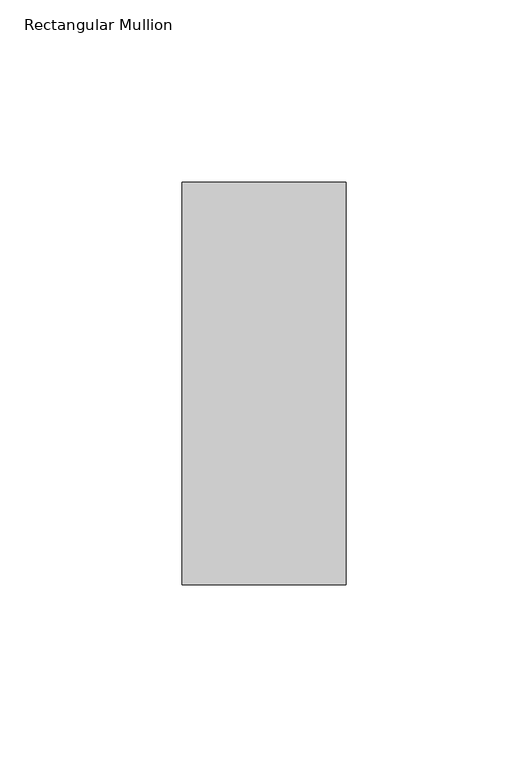
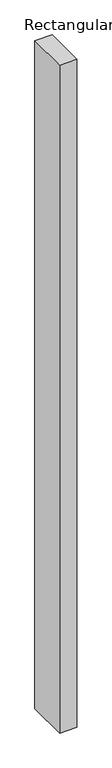
"""IFC4 building model written with IfcOpenShell, lengths in millimetres: member geometry, Rectangular Mullion."""

from ifc_helpers import new_model, si_unit, frame, origin, place, context, project, spatial, polyline, outline, extrude, source, transform, mapped, element, save


def rectangular_mullion_9fc3b6b3(model_context):
    return source(origin(), model_context, "Body", "SweptSolid", [
        extrude(outline(polyline([(-45.0, -70.7), (-45.0, 39.7), (0.0, 39.7), (0.0, -70.7), (-45.0, -70.7)])), frame((0.0, 0.0, -1828.8), z_axis=(0.0, 0.0, 1.0), x_axis=(1.0, 0.0, 0.0)), (0.0, 0.0, 1.0), 1828.8),
    ])


if __name__ == "__main__":
    model = new_model("IFC4")
    model_context = context("Model", 3, world=origin())
    ifc_project = project(units=[si_unit("LENGTHUNIT", "METRE", prefix="MILLI")], contexts=[model_context])
    site = spatial("IfcSite", under=ifc_project)
    building = spatial("IfcBuilding", under=site)
    placement = place(None, origin())
    rectangular_mullion_shape = rectangular_mullion_9fc3b6b3(model_context)
    element("IfcMember", 1, ObjectType="Rectangular Mullion", at=placement, inside=building, context=model_context, shape_type="MappedRepresentation", body=[
        mapped(rectangular_mullion_shape, transform((0.0, 0.0, 0.0), x_axis=(1.0, 0.0, 0.0), y_axis=(0.0, 1.0, 0.0), z_axis=(0.0, 0.0, 1.0))),
    ])
    save(model, "model.ifc")
